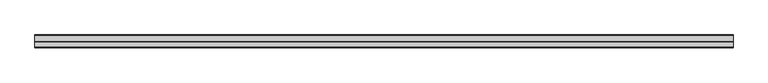
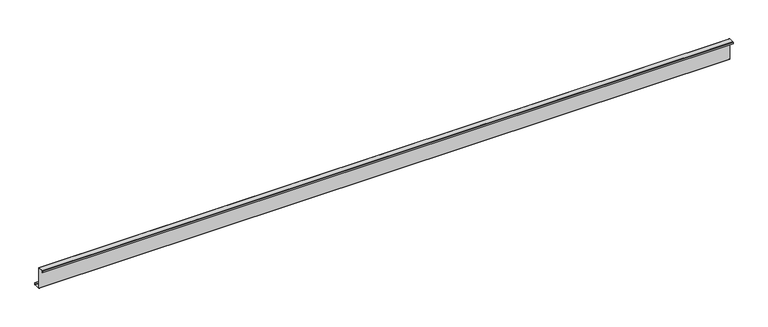
"""IFC4 building model written with IfcOpenShell, lengths in millimetres: member geometry."""

import ifcopenshell
import ifcopenshell.guid

model = None  # the IFC model being written
_history = None  # IfcOwnerHistory: only IFC2X3 demands one
_inside = {}  # id of a spatial element -> (the spatial element, [elements in it])
_under = {}  # id of a project, library or spatial element -> (it, [spatial elements below it])
_declared = {}  # id of a project -> (the project, [libraries it declares])
_typed = {}  # id of a type object -> (the type object, [elements of that type])
_made_of = {}  # id of a material, layer set ... -> (it, [elements and type objects made of it])


def new_model(schema):
    """Start an empty IFC model of exactly this schema.

    Asked for "IFC4X3", IfcOpenShell would pick the latest addendum, in which some entities
    have other attributes; the version numbers below select the first issue.
    IFC2X3 requires an IfcOwnerHistory on every rooted entity: one is made here for all.
    """
    global model, _history
    if schema == "IFC4X3":
        model = ifcopenshell.file(schema_version=(4, 3, 0, 0))
    else:
        model = ifcopenshell.file(schema=schema)
    _inside.clear()
    _under.clear()
    _declared.clear()
    _typed.clear()
    _made_of.clear()
    _history = None
    if model.schema == "IFC2X3":
        org = make("IfcOrganization", Name="unknown")
        user = make(
            "IfcPersonAndOrganization",
            ThePerson=make("IfcPerson", FamilyName="unknown"),
            TheOrganization=org,
        )
        app = make(
            "IfcApplication",
            ApplicationDeveloper=org,
            Version="unknown",
            ApplicationFullName="unknown",
            ApplicationIdentifier="unknown",
        )
        _history = make(
            "IfcOwnerHistory",
            OwningUser=user,
            OwningApplication=app,
            ChangeAction="ADDED",
            CreationDate=0,
        )
    return model


def make(cls, **values):
    """One entity of the class cls with the attributes given. An attribute that is None is left unset."""
    return model.create_entity(
        cls, **{name: value for name, value in values.items() if value is not None}
    )


def rooted(cls, **values):
    """An entity with a GlobalId (a new one), such as an element, a storey or a relation."""
    return make(cls, GlobalId=ifcopenshell.guid.new(), OwnerHistory=_history, **values)


def si_unit(unit_type, name, prefix=None):
    """IfcSIUnit, for example si_unit("LENGTHUNIT", "METRE", prefix="MILLI")."""
    return make("IfcSIUnit", UnitType=unit_type, Prefix=prefix, Name=name)


def assignment(units):
    """IfcUnitAssignment: the units of a project."""
    return None if units is None else make("IfcUnitAssignment", Units=units)


def point(xyz):
    """IfcCartesianPoint."""
    return None if xyz is None else make("IfcCartesianPoint", Coordinates=xyz)


def direction(xyz):
    """IfcDirection."""
    return None if xyz is None else make("IfcDirection", DirectionRatios=xyz)


def frame(location, z_axis=None, x_axis=None):
    """IfcAxis2Placement3D, a coordinate frame: its origin and axes. An axis left out is left unset."""
    return make(
        "IfcAxis2Placement3D",
        Location=point(location),
        Axis=direction(z_axis),
        RefDirection=direction(x_axis),
    )


def frame_2d(location, x_axis=None):
    """IfcAxis2Placement2D, a coordinate frame in the plane: its origin and x axis."""
    return make(
        "IfcAxis2Placement2D", Location=point(location), RefDirection=direction(x_axis)
    )


def origin():
    """The frame at (0, 0, 0) with its axes left unset."""
    return frame((0.0, 0.0, 0.0))


def place(relative_to, where):
    """IfcLocalPlacement: puts the frame where relative to a parent placement (None: the world)."""
    return make(
        "IfcLocalPlacement", PlacementRelTo=relative_to, RelativePlacement=where
    )


def context(
    kind, dimensions, precision=None, world=None, true_north=None, identifier=None
):
    """IfcGeometricRepresentationContext, for example the 3D "Model" context."""
    return make(
        "IfcGeometricRepresentationContext",
        ContextIdentifier=identifier,
        ContextType=kind,
        CoordinateSpaceDimension=dimensions,
        Precision=precision,
        WorldCoordinateSystem=world,
        TrueNorth=true_north,
    )


def project(units=None, contexts=None):
    """IfcProject with its units and contexts."""
    return rooted(
        "IfcProject",
        Name="project",
        RepresentationContexts=contexts,
        UnitsInContext=assignment(units),
    )


def spatial(cls, under=None, at=None, **own):
    """A site, building, storey or space (cls), placed at a placement, below another one or the project."""
    s = rooted(cls, ObjectPlacement=at, **own)
    if under is not None:
        _under.setdefault(under.id(), (under, []))[1].append(s)
    return s


def polyline(points):
    """IfcPolyline through the points."""
    return make("IfcPolyline", Points=[point(p) for p in points])


def circle_curve(where, radius):
    """IfcCircle in the frame where."""
    return make("IfcCircle", Position=where, Radius=radius)


def trimmed(basis, trim1, trim2, sense, master):
    """IfcTrimmedCurve: the piece of a basis curve between two trims."""
    return make(
        "IfcTrimmedCurve",
        BasisCurve=basis,
        Trim1=trim1,
        Trim2=trim2,
        SenseAgreement=sense,
        MasterRepresentation=master,
    )


def segment(curve, same_sense, transition):
    """IfcCompositeCurveSegment."""
    return make(
        "IfcCompositeCurveSegment",
        Transition=transition,
        SameSense=same_sense,
        ParentCurve=curve,
    )


def composite_curve(segments, self_intersect=None):
    """IfcCompositeCurve: segments joined end to end."""
    return make("IfcCompositeCurve", Segments=segments, SelfIntersect=self_intersect)


def outline(outer, holes=None, kind="AREA"):
    """IfcArbitraryClosedProfileDef: a profile drawn as a closed curve; with holes, ...WithVoids."""
    if holes is None:
        return make("IfcArbitraryClosedProfileDef", ProfileType=kind, OuterCurve=outer)
    return make(
        "IfcArbitraryProfileDefWithVoids",
        ProfileType=kind,
        OuterCurve=outer,
        InnerCurves=holes,
    )


def extrude(swept, where, along, depth):
    """IfcExtrudedAreaSolid: the profile swept, set in the frame where, extruded along a direction by depth."""
    return make(
        "IfcExtrudedAreaSolid",
        SweptArea=swept,
        Position=where,
        ExtrudedDirection=direction(along),
        Depth=depth,
    )


def shape(context_of_items, identifier, shape_type, items):
    """IfcShapeRepresentation: the items that make up one representation, for example the "Body"."""
    return make(
        "IfcShapeRepresentation",
        ContextOfItems=context_of_items,
        RepresentationIdentifier=identifier,
        RepresentationType=shape_type,
        Items=items,
    )


def source(mapping_origin, context_of_items, identifier, shape_type, items):
    """IfcRepresentationMap: a shape defined once, which mapped items show again and again."""
    return make(
        "IfcRepresentationMap",
        MappingOrigin=mapping_origin,
        MappedRepresentation=shape(context_of_items, identifier, shape_type, items),
    )


def transform(
    local_origin,
    x_axis=None,
    y_axis=None,
    z_axis=None,
    scale=None,
    scale2=None,
    scale3=None,
    uniform=True,
):
    """IfcCartesianTransformationOperator3D, or its non-uniform kind. x_axis, y_axis, z_axis: its Axis1, 2, 3."""
    if uniform:
        return make(
            "IfcCartesianTransformationOperator3D",
            Axis1=direction(x_axis),
            Axis2=direction(y_axis),
            LocalOrigin=point(local_origin),
            Scale=scale,
            Axis3=direction(z_axis),
        )
    return make(
        "IfcCartesianTransformationOperator3DnonUniform",
        Axis1=direction(x_axis),
        Axis2=direction(y_axis),
        LocalOrigin=point(local_origin),
        Scale=scale,
        Axis3=direction(z_axis),
        Scale2=scale2,
        Scale3=scale3,
    )


def mapped(mapping_source, mapping_target):
    """IfcMappedItem: shows the shape of a source again, moved by a transform."""
    return make(
        "IfcMappedItem", MappingSource=mapping_source, MappingTarget=mapping_target
    )


def made_of(thing, what):
    """Note that an element or type object is made of a material, layer set ...; save() writes the relation."""
    if what is not None:
        _made_of.setdefault(what.id(), (what, []))[1].append(thing)
    return thing


def element(
    cls,
    number,
    at=None,
    inside=None,
    cuts=None,
    type_object=None,
    material=None,
    context=None,
    identifier="Body",
    shape_type=None,
    held_by="IfcProductDefinitionShape",
    body=None,
    shapes=None,
    **own,
):
    """One element of the class cls, such as IfcWall. Its Tag is "e" and its number.

    at: its placement. inside: the storey or other place that contains it. cuts: it is an
    opening in that element (IfcRelVoidsElement). A single representation is given by context,
    identifier, shape_type and body (its items); several are given by shapes. held_by: the class
    of the entity that holds the representations. save() writes the other relations.
    """
    e = rooted(cls, Tag="e%d" % number, ObjectPlacement=at, **own)
    if body is not None:
        shapes = [shape(context, identifier, shape_type, body)]
    if shapes is not None:
        e.Representation = make(held_by, Representations=shapes)
    if inside is not None:
        _inside.setdefault(inside.id(), (inside, []))[1].append(e)
    if cuts is not None:
        rooted(
            "IfcRelVoidsElement", RelatingBuildingElement=cuts, RelatedOpeningElement=e
        )
    if type_object is not None:
        _typed.setdefault(type_object.id(), (type_object, []))[1].append(e)
    return made_of(e, material)


def aggregate(whole, parts):
    """IfcRelAggregates: a whole, such as a stair, and the parts it consists of."""
    return rooted("IfcRelAggregates", RelatingObject=whole, RelatedObjects=parts)


def save(model, path):
    """Write the relations noted so far, then the file.

    IfcRelAggregates (storeys below a building ...), IfcRelContainedInSpatialStructure (elements
    in a storey), IfcRelDefinesByType, IfcRelAssociatesMaterial and IfcRelDeclares: one each for
    every whole, place, type object, material and project.
    """
    for whole, parts in _under.values():
        aggregate(whole, parts)
    for where, things in _inside.values():
        rooted(
            "IfcRelContainedInSpatialStructure",
            RelatedElements=things,
            RelatingStructure=where,
        )
    for kind, things in _typed.values():
        rooted("IfcRelDefinesByType", RelatedObjects=things, RelatingType=kind)
    for what, things in _made_of.values():
        rooted("IfcRelAssociatesMaterial", RelatedObjects=things, RelatingMaterial=what)
    for by, libraries in _declared.values():
        rooted("IfcRelDeclares", RelatingContext=by, RelatedDefinitions=libraries)
    model.write(path)


def member_8a7a38c2(model_context):
    return source(origin(), model_context, "Body", "SweptSolid", [
        extrude(outline(composite_curve([segment(polyline([(0.0, -123.5), (0.0, 123.5)]), True, "CONTINUOUS"), segment(trimmed(circle_curve(frame_2d((-2.0, 123.5)), 2.0), [point((0.0, 123.5))], [point((-2.0, 125.5))], True, "CARTESIAN"), True, "CONTINUOUS"), segment(polyline([(-2.0, 125.5), (-63.5, 125.5)]), True, "CONTINUOUS"), segment(trimmed(circle_curve(frame_2d((-63.5, 123.5)), 2.0), [point((-63.5, 125.5))], [point((-65.5, 123.5))], True, "CARTESIAN"), True, "CONTINUOUS"), segment(polyline([(-65.5, 123.5), (-65.5, 107.0), (-67.0, 107.0), (-67.0, 123.5)]), True, "CONTINUOUS"), segment(trimmed(circle_curve(frame_2d((-63.5, 123.5)), 3.5), [point((-67.0, 123.5))], [point((-63.5, 127.0))], False, "CARTESIAN"), True, "CONTINUOUS"), segment(polyline([(-63.5, 127.0), (-2.0, 127.0)]), True, "CONTINUOUS"), segment(trimmed(circle_curve(frame_2d((-2.0, 123.5)), 3.5), [point((-2.0, 127.0))], [point((1.5, 123.5))], False, "CARTESIAN"), True, "CONTINUOUS"), segment(polyline([(1.5, 123.5), (1.5, -123.5)]), True, "CONTINUOUS"), segment(trimmed(circle_curve(frame_2d((3.5, -123.5)), 2.0), [point((1.5, -123.5))], [point((3.5, -125.5))], True, "CARTESIAN"), True, "CONTINUOUS"), segment(polyline([(3.5, -125.5), (75.0, -125.5)]), True, "CONTINUOUS"), segment(trimmed(circle_curve(frame_2d((75.0, -123.5)), 2.0), [point((75.0, -125.5))], [point((77.0, -123.5))], True, "CARTESIAN"), True, "CONTINUOUS"), segment(polyline([(77.0, -123.5), (77.0, -107.5), (78.5, -107.5), (78.5, -123.5)]), True, "CONTINUOUS"), segment(trimmed(circle_curve(frame_2d((75.0, -123.5)), 3.5), [point((78.5, -123.5))], [point((75.0, -127.0))], False, "CARTESIAN"), True, "CONTINUOUS"), segment(polyline([(75.0, -127.0), (3.5, -127.0)]), True, "CONTINUOUS"), segment(trimmed(circle_curve(frame_2d((3.5, -123.5)), 3.5), [point((3.5, -127.0))], [point((0.0, -123.5))], False, "CARTESIAN"), True, "CONTINUOUS")], self_intersect=False)), frame((-4289.0, 0.0, 0.0), z_axis=(1.0, 0.0, 0.0), x_axis=(0.0, 1.0, 0.0)), (0.0, 0.0, 1.0), 7978.0),
    ])


if __name__ == "__main__":
    model = new_model("IFC4")
    model_context = context("Model", 3, world=origin())
    ifc_project = project(units=[si_unit("LENGTHUNIT", "METRE", prefix="MILLI")], contexts=[model_context])
    site = spatial("IfcSite", under=ifc_project)
    building = spatial("IfcBuilding", under=site)
    placement = place(None, origin())
    member_shape = member_8a7a38c2(model_context)
    element("IfcMember", 1, at=placement, inside=building, context=model_context, shape_type="MappedRepresentation", body=[
        mapped(member_shape, transform((0.0, 0.0, 0.0), x_axis=(1.0, 0.0, 0.0), y_axis=(0.0, 1.0, 0.0), z_axis=(0.0, 0.0, 1.0))),
    ])
    save(model, "model.ifc")
